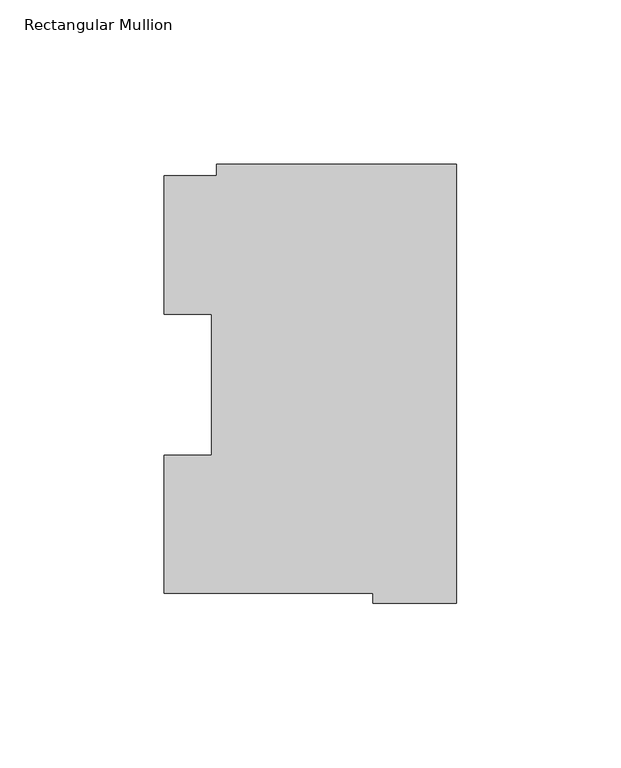
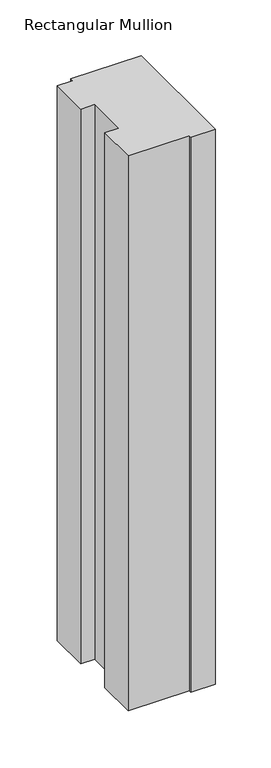
"""IFC4 building model written with IfcOpenShell, lengths in millimetres: member geometry, Rectangular Mullion."""

from ifc_helpers import new_model, si_unit, frame, origin, place, context, project, spatial, polyline, outline, extrude, source, transform, mapped, element, save


def rectangular_mullion_48579d5f(model_context):
    return source(origin(), model_context, "Body", "SweptSolid", [
        extrude(outline(polyline([(-88.8772701, 127.006348), (-73.025, 127.006348), (-73.025, 130.4246837), (0.0, 130.4246837), (0.0, -2.939538), (-25.3772701, -2.939538), (-25.3772701, 0.0063465), (-88.8772701, 0.0063465), (-88.8772701, 42.0814491), (-74.4684922, 42.0814491), (-74.4684922, 84.93125), (-88.8772701, 84.93125), (-88.8772701, 127.006348)])), frame((0.0, 0.0, -609.6063826), z_axis=(0.0, 0.0, 1.0), x_axis=(1.0, 0.0, 0.0)), (0.0, 0.0, 1.0), 609.6063826),
    ])


if __name__ == "__main__":
    model = new_model("IFC4")
    model_context = context("Model", 3, world=origin())
    ifc_project = project(units=[si_unit("LENGTHUNIT", "METRE", prefix="MILLI")], contexts=[model_context])
    site = spatial("IfcSite", under=ifc_project)
    building = spatial("IfcBuilding", under=site)
    placement = place(None, origin())
    rectangular_mullion_shape = rectangular_mullion_48579d5f(model_context)
    element("IfcMember", 1, ObjectType="Rectangular Mullion", at=placement, inside=building, context=model_context, shape_type="MappedRepresentation", body=[
        mapped(rectangular_mullion_shape, transform((0.0, 0.0, 0.0), x_axis=(1.0, 0.0, 0.0), y_axis=(0.0, 1.0, 0.0), z_axis=(0.0, 0.0, 1.0))),
    ])
    save(model, "model.ifc")
